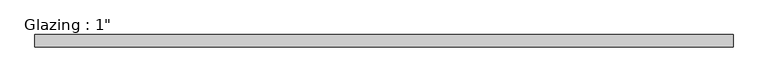
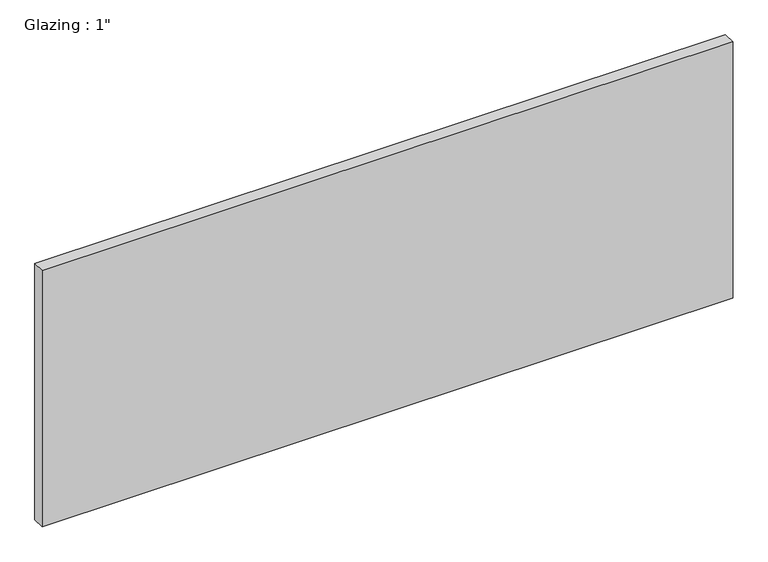
"""IFC4 building model written with IfcOpenShell, lengths in millimetres: plate geometry."""

from ifc_helpers import new_model, si_unit, origin, origin_with_axes, place, context, project, spatial, polyline, outline, extrude, source, transform, mapped, element, save


def plate_9a851132(model_context):
    return source(origin(), model_context, "Body", "SweptSolid", [
        extrude(outline(polyline([(713.8402241, -12.7), (-713.8402241, -12.7), (-713.8402241, 12.7), (713.8402241, 12.7), (713.8402241, -12.7)])), origin_with_axes(), (0.0, 0.0, 1.0), 560.0039722),
    ])


if __name__ == "__main__":
    model = new_model("IFC4")
    model_context = context("Model", 3, world=origin())
    ifc_project = project(units=[si_unit("LENGTHUNIT", "METRE", prefix="MILLI")], contexts=[model_context])
    site = spatial("IfcSite", under=ifc_project)
    building = spatial("IfcBuilding", under=site)
    placement = place(None, origin())
    plate_shape = plate_9a851132(model_context)
    element("IfcPlate", 1, ObjectType="Glazing : 1\"", at=placement, inside=building, context=model_context, shape_type="MappedRepresentation", body=[
        mapped(plate_shape, transform((0.0, 0.0, 0.0), x_axis=(1.0, 0.0, 0.0), y_axis=(0.0, 1.0, 0.0), z_axis=(0.0, 0.0, 1.0))),
    ])
    save(model, "model.ifc")
